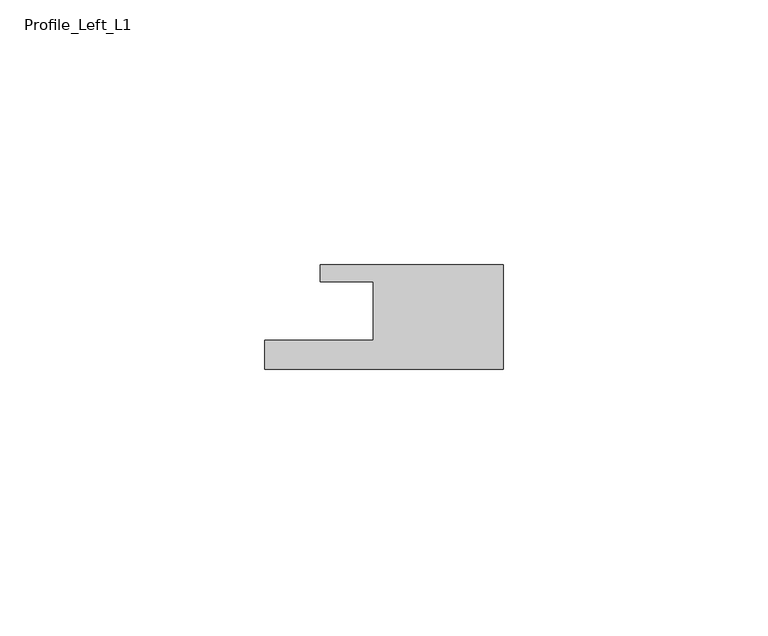
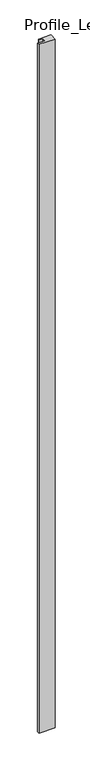
"""IFC4 building model written with IfcOpenShell, lengths in millimetres: member geometry, Profile_Left_L1."""

from ifc_helpers import new_model, si_unit, frame, origin, place, context, project, spatial, polyline, outline, extrude, source, transform, mapped, element, save


def profile_left_l1_655e2899(model_context):
    return source(origin(), model_context, "Body", "SweptSolid", [
        extrude(outline(polyline([(-45.0, -5.5), (-24.5, -5.5), (-24.5, 5.5), (-34.5, 5.5), (-34.5, 8.7), (0.0, 8.7), (0.0, -11.0), (-45.0, -11.0), (-45.0, -5.5)])), frame((0.0, 0.0, -2000.0), z_axis=(0.0, 0.0, 1.0), x_axis=(1.0, 0.0, 0.0)), (0.0, 0.0, 1.0), 2000.0),
    ])


if __name__ == "__main__":
    model = new_model("IFC4")
    model_context = context("Model", 3, world=origin())
    ifc_project = project(units=[si_unit("LENGTHUNIT", "METRE", prefix="MILLI")], contexts=[model_context])
    site = spatial("IfcSite", under=ifc_project)
    building = spatial("IfcBuilding", under=site)
    placement = place(None, origin())
    profile_left_l1_shape = profile_left_l1_655e2899(model_context)
    element("IfcMember", 1, ObjectType="Profile_Left_L1", at=placement, inside=building, context=model_context, shape_type="MappedRepresentation", body=[
        mapped(profile_left_l1_shape, transform((0.0, 0.0, 0.0), x_axis=(1.0, 0.0, 0.0), y_axis=(0.0, 1.0, 0.0), z_axis=(0.0, 0.0, 1.0))),
    ])
    save(model, "model.ifc")
